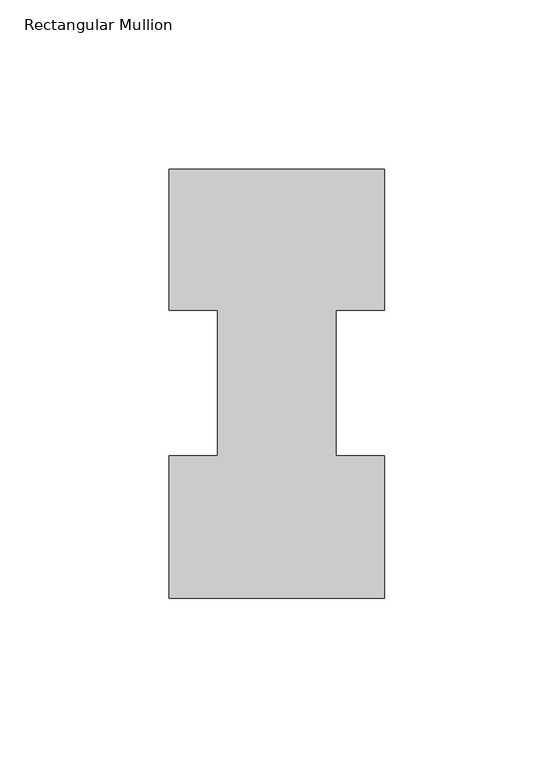
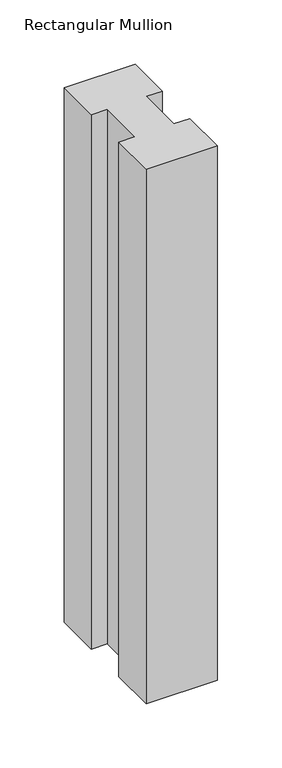
"""IFC4 building model written with IfcOpenShell, lengths in millimetres: member geometry, Rectangular Mullion."""

from ifc_helpers import new_model, si_unit, frame, origin, place, context, project, spatial, polyline, outline, extrude, source, transform, mapped, element, save


def rectangular_mullion_3186827c(model_context):
    return source(origin(), model_context, "Body", "SweptSolid", [
        extrude(outline(polyline([(0.0, 133.3825437), (0.0, 91.7773437), (-14.2748, 91.7773437), (-14.2748, 48.9275437), (0.0, 48.9275437), (0.0, 6.8905437), (-63.5, 6.8905437), (-63.5, 48.9275437), (-49.2125, 48.9275437), (-49.2125, 91.7773437), (-63.5, 91.7773437), (-63.5, 133.3825437), (0.0, 133.3825437)])), frame((0.0, 0.0, -505.83538), z_axis=(0.0, 0.0, 1.0), x_axis=(1.0, 0.0, 0.0)), (0.0, 0.0, 1.0), 505.83538),
    ])


if __name__ == "__main__":
    model = new_model("IFC4")
    model_context = context("Model", 3, world=origin())
    ifc_project = project(units=[si_unit("LENGTHUNIT", "METRE", prefix="MILLI")], contexts=[model_context])
    site = spatial("IfcSite", under=ifc_project)
    building = spatial("IfcBuilding", under=site)
    placement = place(None, origin())
    rectangular_mullion_shape = rectangular_mullion_3186827c(model_context)
    element("IfcMember", 1, ObjectType="Rectangular Mullion", at=placement, inside=building, context=model_context, shape_type="MappedRepresentation", body=[
        mapped(rectangular_mullion_shape, transform((0.0, 0.0, 0.0), x_axis=(1.0, 0.0, 0.0), y_axis=(0.0, 1.0, 0.0), z_axis=(0.0, 0.0, 1.0))),
    ])
    save(model, "model.ifc")
